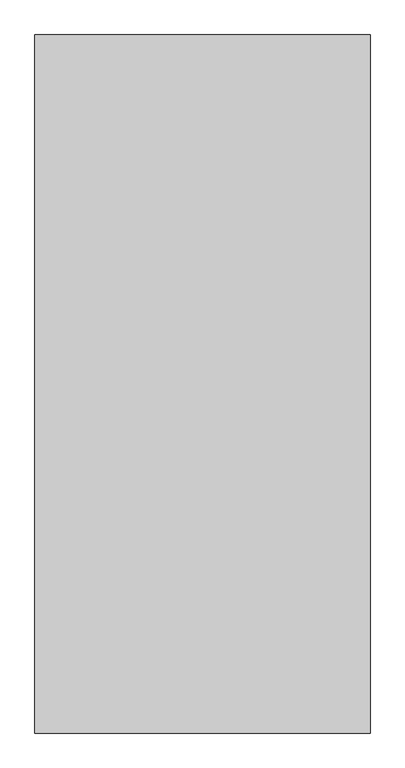
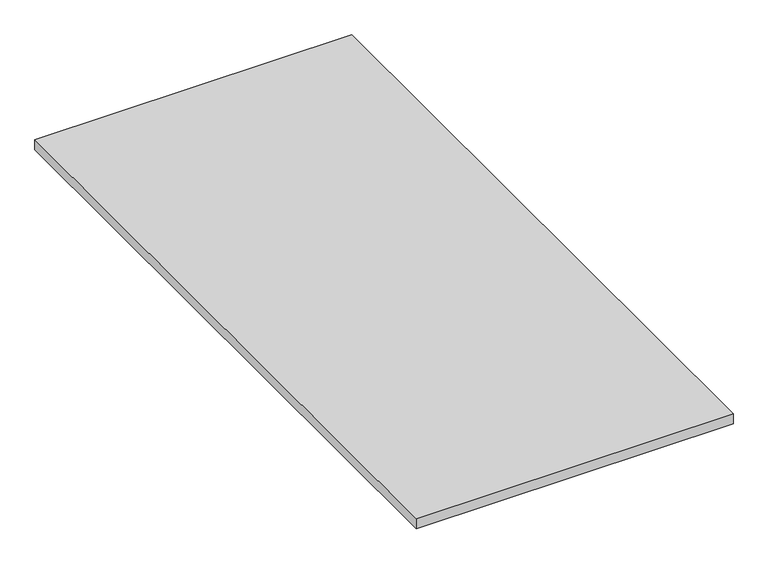
"""IFC4 building model written with IfcOpenShell, lengths in millimetres: proxy geometry."""

from ifc_helpers import new_model, si_unit, origin, origin_with_axes, place, context, project, spatial, polyline, outline, extrude, source, transform, mapped, element, save


def generic_models_4e3efc7d(model_context):
    return source(origin(), model_context, "Body", "SweptSolid", [
        extrude(outline(polyline([(-6184.8983566, 8947.1625159), (-6184.8983566, 7697.1625159), (-6784.8983566, 7697.1625159), (-6784.8983566, 8947.1625159), (-6184.8983566, 8947.1625159)])), origin_with_axes(), (0.0, 0.0, 1.0), 20.0),
    ])


if __name__ == "__main__":
    model = new_model("IFC4")
    model_context = context("Model", 3, world=origin())
    ifc_project = project(units=[si_unit("LENGTHUNIT", "METRE", prefix="MILLI")], contexts=[model_context])
    site = spatial("IfcSite", under=ifc_project)
    building = spatial("IfcBuilding", under=site)
    placement = place(None, origin())
    generic_models_shape = generic_models_4e3efc7d(model_context)
    element("IfcBuildingElementProxy", 1, Name="Generic Models", at=placement, inside=building, context=model_context, shape_type="MappedRepresentation", body=[
        mapped(generic_models_shape, transform((0.0, 0.0, 0.0), x_axis=(1.0, 0.0, 0.0), y_axis=(0.0, 1.0, 0.0), z_axis=(0.0, 0.0, 1.0))),
    ])
    save(model, "model.ifc")
